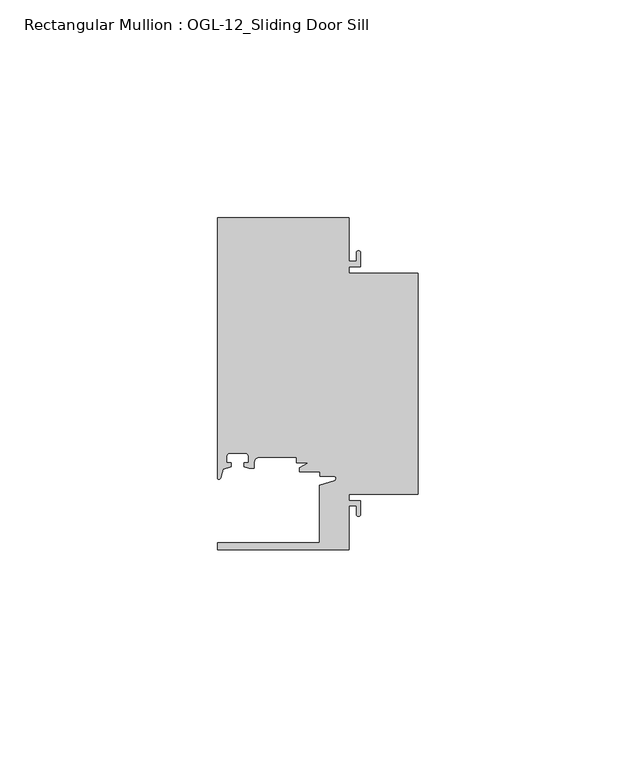
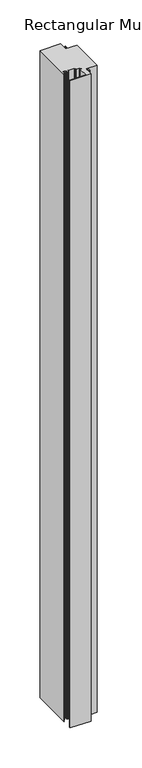
"""IFC4 building model written with IfcOpenShell, lengths in millimetres: member geometry, Rectangular Mullion : OGL-12_Sliding Door Sill."""

import ifcopenshell
import ifcopenshell.guid

model = None  # the IFC model being written
_history = None  # IfcOwnerHistory: only IFC2X3 demands one
_inside = {}  # id of a spatial element -> (the spatial element, [elements in it])
_under = {}  # id of a project, library or spatial element -> (it, [spatial elements below it])
_declared = {}  # id of a project -> (the project, [libraries it declares])
_typed = {}  # id of a type object -> (the type object, [elements of that type])
_made_of = {}  # id of a material, layer set ... -> (it, [elements and type objects made of it])


def new_model(schema):
    """Start an empty IFC model of exactly this schema.

    Asked for "IFC4X3", IfcOpenShell would pick the latest addendum, in which some entities
    have other attributes; the version numbers below select the first issue.
    IFC2X3 requires an IfcOwnerHistory on every rooted entity: one is made here for all.
    """
    global model, _history
    if schema == "IFC4X3":
        model = ifcopenshell.file(schema_version=(4, 3, 0, 0))
    else:
        model = ifcopenshell.file(schema=schema)
    _inside.clear()
    _under.clear()
    _declared.clear()
    _typed.clear()
    _made_of.clear()
    _history = None
    if model.schema == "IFC2X3":
        org = make("IfcOrganization", Name="unknown")
        user = make(
            "IfcPersonAndOrganization",
            ThePerson=make("IfcPerson", FamilyName="unknown"),
            TheOrganization=org,
        )
        app = make(
            "IfcApplication",
            ApplicationDeveloper=org,
            Version="unknown",
            ApplicationFullName="unknown",
            ApplicationIdentifier="unknown",
        )
        _history = make(
            "IfcOwnerHistory",
            OwningUser=user,
            OwningApplication=app,
            ChangeAction="ADDED",
            CreationDate=0,
        )
    return model


def make(cls, **values):
    """One entity of the class cls with the attributes given. An attribute that is None is left unset."""
    return model.create_entity(
        cls, **{name: value for name, value in values.items() if value is not None}
    )


def rooted(cls, **values):
    """An entity with a GlobalId (a new one), such as an element, a storey or a relation."""
    return make(cls, GlobalId=ifcopenshell.guid.new(), OwnerHistory=_history, **values)


def si_unit(unit_type, name, prefix=None):
    """IfcSIUnit, for example si_unit("LENGTHUNIT", "METRE", prefix="MILLI")."""
    return make("IfcSIUnit", UnitType=unit_type, Prefix=prefix, Name=name)


def assignment(units):
    """IfcUnitAssignment: the units of a project."""
    return None if units is None else make("IfcUnitAssignment", Units=units)


def point(xyz):
    """IfcCartesianPoint."""
    return None if xyz is None else make("IfcCartesianPoint", Coordinates=xyz)


def direction(xyz):
    """IfcDirection."""
    return None if xyz is None else make("IfcDirection", DirectionRatios=xyz)


def frame(location, z_axis=None, x_axis=None):
    """IfcAxis2Placement3D, a coordinate frame: its origin and axes. An axis left out is left unset."""
    return make(
        "IfcAxis2Placement3D",
        Location=point(location),
        Axis=direction(z_axis),
        RefDirection=direction(x_axis),
    )


def frame_2d(location, x_axis=None):
    """IfcAxis2Placement2D, a coordinate frame in the plane: its origin and x axis."""
    return make(
        "IfcAxis2Placement2D", Location=point(location), RefDirection=direction(x_axis)
    )


def origin():
    """The frame at (0, 0, 0) with its axes left unset."""
    return frame((0.0, 0.0, 0.0))


def place(relative_to, where):
    """IfcLocalPlacement: puts the frame where relative to a parent placement (None: the world)."""
    return make(
        "IfcLocalPlacement", PlacementRelTo=relative_to, RelativePlacement=where
    )


def context(
    kind, dimensions, precision=None, world=None, true_north=None, identifier=None
):
    """IfcGeometricRepresentationContext, for example the 3D "Model" context."""
    return make(
        "IfcGeometricRepresentationContext",
        ContextIdentifier=identifier,
        ContextType=kind,
        CoordinateSpaceDimension=dimensions,
        Precision=precision,
        WorldCoordinateSystem=world,
        TrueNorth=true_north,
    )


def project(units=None, contexts=None):
    """IfcProject with its units and contexts."""
    return rooted(
        "IfcProject",
        Name="project",
        RepresentationContexts=contexts,
        UnitsInContext=assignment(units),
    )


def spatial(cls, under=None, at=None, **own):
    """A site, building, storey or space (cls), placed at a placement, below another one or the project."""
    s = rooted(cls, ObjectPlacement=at, **own)
    if under is not None:
        _under.setdefault(under.id(), (under, []))[1].append(s)
    return s


def polyline(points):
    """IfcPolyline through the points."""
    return make("IfcPolyline", Points=[point(p) for p in points])


def circle_curve(where, radius):
    """IfcCircle in the frame where."""
    return make("IfcCircle", Position=where, Radius=radius)


def trimmed(basis, trim1, trim2, sense, master):
    """IfcTrimmedCurve: the piece of a basis curve between two trims."""
    return make(
        "IfcTrimmedCurve",
        BasisCurve=basis,
        Trim1=trim1,
        Trim2=trim2,
        SenseAgreement=sense,
        MasterRepresentation=master,
    )


def segment(curve, same_sense, transition):
    """IfcCompositeCurveSegment."""
    return make(
        "IfcCompositeCurveSegment",
        Transition=transition,
        SameSense=same_sense,
        ParentCurve=curve,
    )


def composite_curve(segments, self_intersect=None):
    """IfcCompositeCurve: segments joined end to end."""
    return make("IfcCompositeCurve", Segments=segments, SelfIntersect=self_intersect)


def outline(outer, holes=None, kind="AREA"):
    """IfcArbitraryClosedProfileDef: a profile drawn as a closed curve; with holes, ...WithVoids."""
    if holes is None:
        return make("IfcArbitraryClosedProfileDef", ProfileType=kind, OuterCurve=outer)
    return make(
        "IfcArbitraryProfileDefWithVoids",
        ProfileType=kind,
        OuterCurve=outer,
        InnerCurves=holes,
    )


def extrude(swept, where, along, depth):
    """IfcExtrudedAreaSolid: the profile swept, set in the frame where, extruded along a direction by depth."""
    return make(
        "IfcExtrudedAreaSolid",
        SweptArea=swept,
        Position=where,
        ExtrudedDirection=direction(along),
        Depth=depth,
    )


def shape(context_of_items, identifier, shape_type, items):
    """IfcShapeRepresentation: the items that make up one representation, for example the "Body"."""
    return make(
        "IfcShapeRepresentation",
        ContextOfItems=context_of_items,
        RepresentationIdentifier=identifier,
        RepresentationType=shape_type,
        Items=items,
    )


def source(mapping_origin, context_of_items, identifier, shape_type, items):
    """IfcRepresentationMap: a shape defined once, which mapped items show again and again."""
    return make(
        "IfcRepresentationMap",
        MappingOrigin=mapping_origin,
        MappedRepresentation=shape(context_of_items, identifier, shape_type, items),
    )


def transform(
    local_origin,
    x_axis=None,
    y_axis=None,
    z_axis=None,
    scale=None,
    scale2=None,
    scale3=None,
    uniform=True,
):
    """IfcCartesianTransformationOperator3D, or its non-uniform kind. x_axis, y_axis, z_axis: its Axis1, 2, 3."""
    if uniform:
        return make(
            "IfcCartesianTransformationOperator3D",
            Axis1=direction(x_axis),
            Axis2=direction(y_axis),
            LocalOrigin=point(local_origin),
            Scale=scale,
            Axis3=direction(z_axis),
        )
    return make(
        "IfcCartesianTransformationOperator3DnonUniform",
        Axis1=direction(x_axis),
        Axis2=direction(y_axis),
        LocalOrigin=point(local_origin),
        Scale=scale,
        Axis3=direction(z_axis),
        Scale2=scale2,
        Scale3=scale3,
    )


def mapped(mapping_source, mapping_target):
    """IfcMappedItem: shows the shape of a source again, moved by a transform."""
    return make(
        "IfcMappedItem", MappingSource=mapping_source, MappingTarget=mapping_target
    )


def made_of(thing, what):
    """Note that an element or type object is made of a material, layer set ...; save() writes the relation."""
    if what is not None:
        _made_of.setdefault(what.id(), (what, []))[1].append(thing)
    return thing


def element(
    cls,
    number,
    at=None,
    inside=None,
    cuts=None,
    type_object=None,
    material=None,
    context=None,
    identifier="Body",
    shape_type=None,
    held_by="IfcProductDefinitionShape",
    body=None,
    shapes=None,
    **own,
):
    """One element of the class cls, such as IfcWall. Its Tag is "e" and its number.

    at: its placement. inside: the storey or other place that contains it. cuts: it is an
    opening in that element (IfcRelVoidsElement). A single representation is given by context,
    identifier, shape_type and body (its items); several are given by shapes. held_by: the class
    of the entity that holds the representations. save() writes the other relations.
    """
    e = rooted(cls, Tag="e%d" % number, ObjectPlacement=at, **own)
    if body is not None:
        shapes = [shape(context, identifier, shape_type, body)]
    if shapes is not None:
        e.Representation = make(held_by, Representations=shapes)
    if inside is not None:
        _inside.setdefault(inside.id(), (inside, []))[1].append(e)
    if cuts is not None:
        rooted(
            "IfcRelVoidsElement", RelatingBuildingElement=cuts, RelatedOpeningElement=e
        )
    if type_object is not None:
        _typed.setdefault(type_object.id(), (type_object, []))[1].append(e)
    return made_of(e, material)


def aggregate(whole, parts):
    """IfcRelAggregates: a whole, such as a stair, and the parts it consists of."""
    return rooted("IfcRelAggregates", RelatingObject=whole, RelatedObjects=parts)


def save(model, path):
    """Write the relations noted so far, then the file.

    IfcRelAggregates (storeys below a building ...), IfcRelContainedInSpatialStructure (elements
    in a storey), IfcRelDefinesByType, IfcRelAssociatesMaterial and IfcRelDeclares: one each for
    every whole, place, type object, material and project.
    """
    for whole, parts in _under.values():
        aggregate(whole, parts)
    for where, things in _inside.values():
        rooted(
            "IfcRelContainedInSpatialStructure",
            RelatedElements=things,
            RelatingStructure=where,
        )
    for kind, things in _typed.values():
        rooted("IfcRelDefinesByType", RelatedObjects=things, RelatingType=kind)
    for what, things in _made_of.values():
        rooted("IfcRelAssociatesMaterial", RelatedObjects=things, RelatingMaterial=what)
    for by, libraries in _declared.values():
        rooted("IfcRelDeclares", RelatingContext=by, RelatedDefinitions=libraries)
    model.write(path)


def rectangular_mullion_ogl_12_sliding_door_sill_87bc6fc1(model_context):
    return source(origin(), model_context, "Body", "SweptSolid", [
        extrude(outline(composite_curve([segment(polyline([(0.0, -25.4), (-15.934238, -25.4), (-15.934238, -26.8473009), (-13.2417195, -26.8473009), (-13.2417195, -30.0428503)]), True, "CONTINUOUS"), segment(trimmed(circle_curve(frame_2d((-13.6974747, -30.0428503)), 0.4557552), [point((-13.2417195, -30.0428503))], [point((-14.15323, -30.0428503))], False, "CARTESIAN"), True, "CONTINUOUS"), segment(polyline([(-14.15323, -30.0428503), (-14.15323, -28.0538009), (-15.934238, -28.0538009), (-15.934238, -38.0996792), (-46.0931306, -38.0996792), (-46.0931306, -36.5121792), (-22.6260049, -36.5121792), (-22.6260049, -23.2836666), (-19.2086572, -22.3037579)]), True, "CONTINUOUS"), segment(trimmed(circle_curve(frame_2d((-19.3562398, -21.789076)), 0.5354233), [point((-19.2086572, -22.3037579))], [point((-19.3562398, -21.2536528))], True, "CARTESIAN"), True, "CONTINUOUS"), segment(polyline([(-19.3562398, -21.2536528), (-22.6027094, -21.2536528), (-22.6027094, -20.2164975), (-27.2970068, -20.2164975), (-27.2970068, -19.265795), (-25.1995125, -18.1505375), (-27.9268052, -18.1505375), (-27.9268052, -16.8636789), (-36.3386331, -16.8636789)]), True, "CONTINUOUS"), segment(trimmed(circle_curve(frame_2d((-36.3386331, -18.2778896)), 1.4142107), [point((-36.3386331, -16.8636789))], [point((-37.7528423, -18.2799969))], True, "CARTESIAN"), True, "CONTINUOUS"), segment(polyline([(-37.7528423, -18.2799969), (-37.7528423, -19.4819389), (-38.8813571, -19.4491353), (-39.9812066, -19.0676205), (-39.9812066, -18.2246744), (-39.0028438, -18.2246744), (-39.0028438, -16.7746773)]), True, "CONTINUOUS"), segment(trimmed(circle_curve(frame_2d((-39.8028422, -16.7746773)), 0.7999984), [point((-39.0028438, -16.7746773))], [point((-39.8028422, -15.9746789))], True, "CARTESIAN"), True, "CONTINUOUS"), segment(polyline([(-39.8028422, -15.9746789), (-43.2028354, -15.9746789)]), True, "CONTINUOUS"), segment(trimmed(circle_curve(frame_2d((-43.2028354, -16.7746773)), 0.7999984), [point((-43.2028354, -15.9746789))], [point((-44.0028338, -16.7746773))], True, "CARTESIAN"), True, "CONTINUOUS"), segment(polyline([(-44.0028338, -16.7746773), (-44.0028338, -18.2246744), (-43.0244711, -18.2246744), (-43.0244711, -19.0364336), (-44.83413, -19.6244274), (-45.434586, -21.7184665)]), True, "CONTINUOUS"), segment(trimmed(circle_curve(frame_2d((-45.7573546, -21.6259141)), 0.335776), [point((-45.434586, -21.7184665))], [point((-46.0931306, -21.6259141))], False, "CARTESIAN"), True, "CONTINUOUS"), segment(polyline([(-46.0931306, -21.6259141), (-46.0931306, 38.1003208), (-15.934238, 38.1003208), (-15.934238, 28.0544425), (-14.15323, 28.0544425), (-14.15323, 30.0428503)]), True, "CONTINUOUS"), segment(trimmed(circle_curve(frame_2d((-13.6974747, 30.0428503)), 0.4557552), [point((-14.15323, 30.0428503))], [point((-13.2417195, 30.0428503))], False, "CARTESIAN"), True, "CONTINUOUS"), segment(polyline([(-13.2417195, 30.0428503), (-13.2417195, 26.8479425), (-15.934238, 26.8479425), (-15.934238, 25.4), (0.0, 25.4), (0.0, -25.4)]), True, "CONTINUOUS")], self_intersect=False)), frame((0.0, 0.0, -987.4259345), z_axis=(0.0, 0.0, 1.0), x_axis=(1.0, 0.0, 0.0)), (0.0, 0.0, 1.0), 987.4259345),
    ])


if __name__ == "__main__":
    model = new_model("IFC4")
    model_context = context("Model", 3, world=origin())
    ifc_project = project(units=[si_unit("LENGTHUNIT", "METRE", prefix="MILLI")], contexts=[model_context])
    site = spatial("IfcSite", under=ifc_project)
    building = spatial("IfcBuilding", under=site)
    placement = place(None, origin())
    rectangular_mullion_ogl_12_sliding_door_sill_shape = rectangular_mullion_ogl_12_sliding_door_sill_87bc6fc1(model_context)
    element("IfcMember", 1, ObjectType="Rectangular Mullion : OGL-12_Sliding Door Sill", at=placement, inside=building, context=model_context, shape_type="MappedRepresentation", body=[
        mapped(rectangular_mullion_ogl_12_sliding_door_sill_shape, transform((0.0, 0.0, 0.0), x_axis=(1.0, 0.0, 0.0), y_axis=(0.0, 1.0, 0.0), z_axis=(0.0, 0.0, 1.0))),
    ])
    save(model, "model.ifc")
